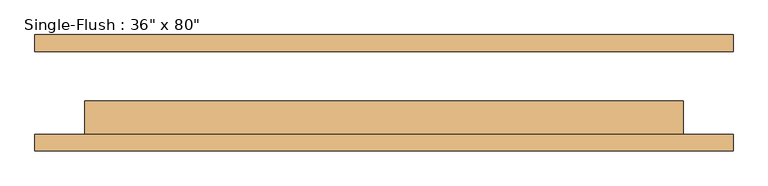
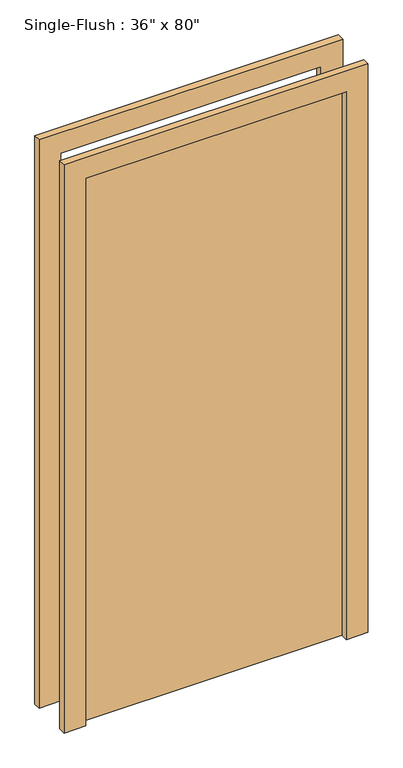
"""IFC4 building model written with IfcOpenShell, lengths in millimetres: door geometry."""

from ifc_helpers import new_model, si_unit, frame, origin, origin_with_axes, place, context, project, spatial, polyline, outline, extrude, source, transform, mapped, element, save


def door_5c18bfee(model_context):
    return source(origin(), model_context, "Body", "SweptSolid", [
        extrude(outline(polyline([(2108.2, -533.4), (0.0, -533.4), (0.0, -457.2), (2032.0, -457.2), (2032.0, 457.2), (0.0, 457.2), (0.0, 533.4), (2108.2, 533.4), (2108.2, -533.4)])), frame((0.0, -88.9, 0.0), z_axis=(0.0, 1.0, 0.0), x_axis=(0.0, 0.0, 1.0)), (0.0, 0.0, 1.0), 25.4),
        extrude(outline(polyline([(2108.2, 533.4), (2108.2, -533.4), (0.0, -533.4), (0.0, -457.2), (2032.0, -457.2), (2032.0, 457.2), (0.0, 457.2), (0.0, 533.4), (2108.2, 533.4)])), frame((0.0, 63.5, 0.0), z_axis=(0.0, 1.0, 0.0), x_axis=(0.0, 0.0, 1.0)), (0.0, 0.0, 1.0), 25.4),
        extrude(outline(polyline([(457.2, -12.7), (457.2, -63.5), (-457.2, -63.5), (-457.2, -12.7), (457.2, -12.7)])), origin_with_axes(), (0.0, 0.0, 1.0), 2032.0),
    ])


if __name__ == "__main__":
    model = new_model("IFC4")
    model_context = context("Model", 3, world=origin())
    ifc_project = project(units=[si_unit("LENGTHUNIT", "METRE", prefix="MILLI")], contexts=[model_context])
    site = spatial("IfcSite", under=ifc_project)
    building = spatial("IfcBuilding", under=site)
    placement = place(None, origin())
    door_shape = door_5c18bfee(model_context)
    element("IfcDoor", 1, ObjectType="Single-Flush : 36\" x 80\"", at=placement, inside=building, context=model_context, shape_type="MappedRepresentation", body=[
        mapped(door_shape, transform((0.0, 0.0, 0.0), x_axis=(1.0, 0.0, 0.0), y_axis=(0.0, 1.0, 0.0), z_axis=(0.0, 0.0, 1.0))),
    ])
    save(model, "model.ifc")
